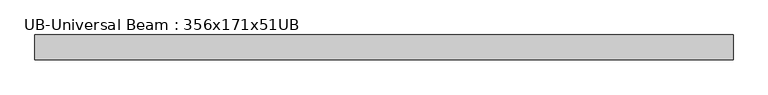
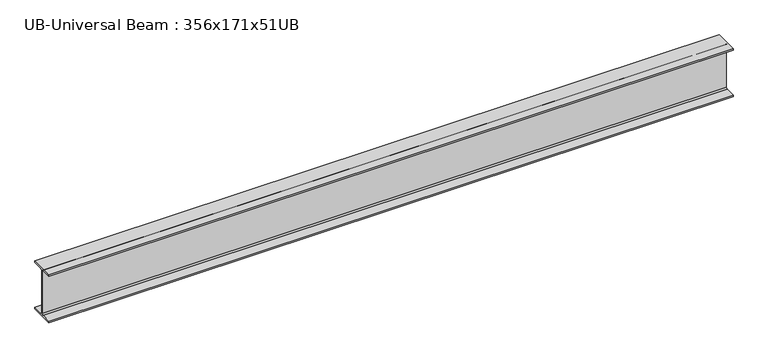
"""IFC4 building model written with IfcOpenShell, lengths in millimetres: beam geometry, UB-Universal Beam : 356x171x51UB."""

from ifc_helpers import new_model, si_unit, point, frame, frame_2d, origin, place, context, project, spatial, polyline, circle_curve, trimmed, segment, composite_curve, outline, extrude, source, transform, mapped, element, save


def ub_universal_beam_356x171x51ub_0e4a6986(model_context):
    return source(origin(), model_context, "Body", "SweptSolid", [
        extrude(outline(composite_curve([segment(polyline([(85.75, -166.0), (85.75, -177.5), (-85.75, -177.5), (-85.75, -166.0), (-13.9, -166.0)]), True, "CONTINUOUS"), segment(trimmed(circle_curve(frame_2d((-13.9, -155.8)), 10.2), [point((-13.9, -166.0))], [point((-3.7, -155.8))], True, "CARTESIAN"), True, "CONTINUOUS"), segment(polyline([(-3.7, -155.8), (-3.7, 155.8)]), True, "CONTINUOUS"), segment(trimmed(circle_curve(frame_2d((-13.9, 155.8)), 10.2), [point((-3.7, 155.8))], [point((-13.9, 166.0))], True, "CARTESIAN"), True, "CONTINUOUS"), segment(polyline([(-13.9, 166.0), (-85.75, 166.0), (-85.75, 177.5), (85.75, 177.5), (85.75, 166.0), (13.9, 166.0)]), True, "CONTINUOUS"), segment(trimmed(circle_curve(frame_2d((13.9, 155.8)), 10.2), [point((13.9, 166.0))], [point((3.7, 155.8))], True, "CARTESIAN"), True, "CONTINUOUS"), segment(polyline([(3.7, 155.8), (3.7, -155.8)]), True, "CONTINUOUS"), segment(trimmed(circle_curve(frame_2d((13.9, -155.8)), 10.2), [point((3.7, -155.8))], [point((13.9, -166.0))], True, "CARTESIAN"), True, "CONTINUOUS"), segment(polyline([(13.9, -166.0), (85.75, -166.0)]), True, "CONTINUOUS")], self_intersect=False)), frame((-2405.3, 0.0, 0.0), z_axis=(1.0, 0.0, 0.0), x_axis=(0.0, 1.0, 0.0)), (0.0, 0.0, 1.0), 4810.6),
    ])


if __name__ == "__main__":
    model = new_model("IFC4")
    model_context = context("Model", 3, world=origin())
    ifc_project = project(units=[si_unit("LENGTHUNIT", "METRE", prefix="MILLI")], contexts=[model_context])
    site = spatial("IfcSite", under=ifc_project)
    building = spatial("IfcBuilding", under=site)
    placement = place(None, origin())
    ub_universal_beam_356x171x51ub_shape = ub_universal_beam_356x171x51ub_0e4a6986(model_context)
    element("IfcBeam", 1, ObjectType="UB-Universal Beam : 356x171x51UB", at=placement, inside=building, context=model_context, shape_type="MappedRepresentation", body=[
        mapped(ub_universal_beam_356x171x51ub_shape, transform((0.0, 0.0, 0.0), x_axis=(1.0, 0.0, 0.0), y_axis=(0.0, 1.0, 0.0), z_axis=(0.0, 0.0, 1.0))),
    ])
    save(model, "model.ifc")
